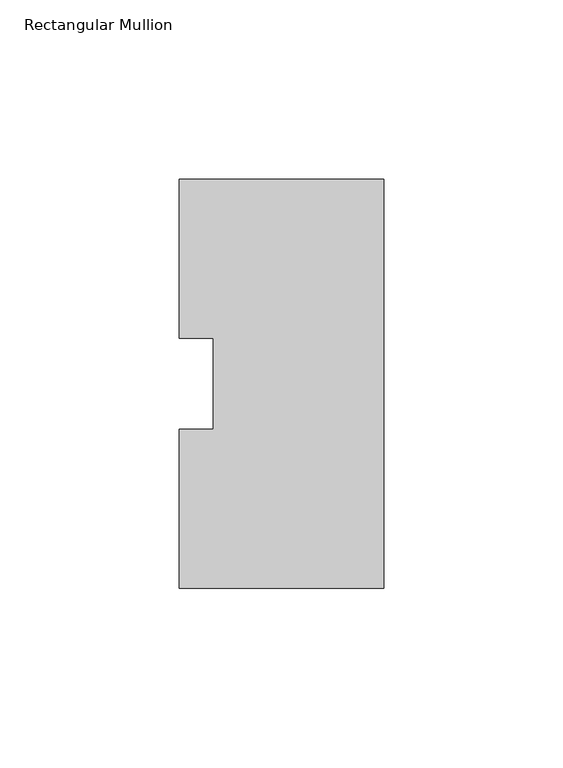
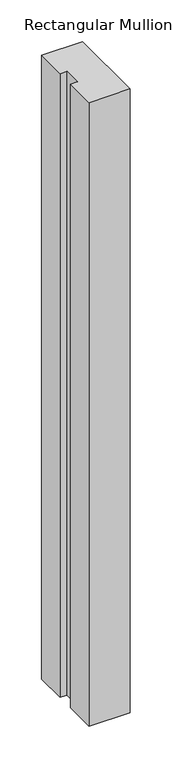
"""IFC4 building model written with IfcOpenShell, lengths in millimetres: member geometry, Rectangular Mullion."""

from ifc_helpers import new_model, si_unit, frame, origin, place, context, project, spatial, polyline, outline, extrude, source, transform, mapped, element, save


def rectangular_mullion_b0c437ae(model_context):
    return source(origin(), model_context, "Body", "SweptSolid", [
        extrude(outline(polyline([(0.0, 57.15), (0.0, -57.15), (-57.15, -57.15), (-57.15, -12.7), (-47.625, -12.7), (-47.625, 12.7), (-57.15, 12.7), (-57.15, 57.15), (0.0, 57.15)])), frame((0.0, 0.0, -914.4), z_axis=(0.0, 0.0, 1.0), x_axis=(1.0, 0.0, 0.0)), (0.0, 0.0, 1.0), 914.4),
    ])


if __name__ == "__main__":
    model = new_model("IFC4")
    model_context = context("Model", 3, world=origin())
    ifc_project = project(units=[si_unit("LENGTHUNIT", "METRE", prefix="MILLI")], contexts=[model_context])
    site = spatial("IfcSite", under=ifc_project)
    building = spatial("IfcBuilding", under=site)
    placement = place(None, origin())
    rectangular_mullion_shape = rectangular_mullion_b0c437ae(model_context)
    element("IfcMember", 1, ObjectType="Rectangular Mullion", at=placement, inside=building, context=model_context, shape_type="MappedRepresentation", body=[
        mapped(rectangular_mullion_shape, transform((0.0, 0.0, 0.0), x_axis=(1.0, 0.0, 0.0), y_axis=(0.0, 1.0, 0.0), z_axis=(0.0, 0.0, 1.0))),
    ])
    save(model, "model.ifc")
